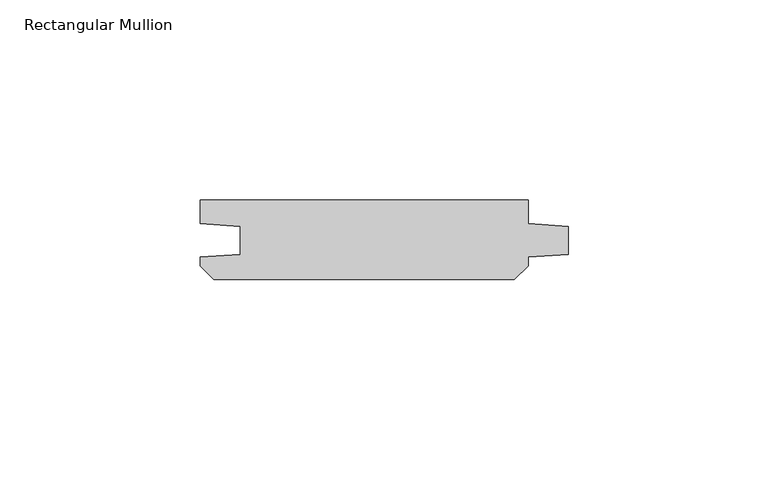
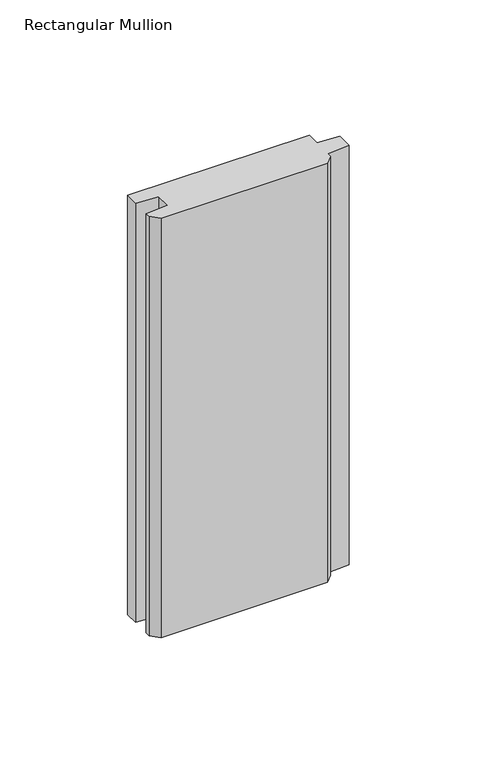
"""IFC4 building model written with IfcOpenShell, lengths in millimetres: member geometry, Rectangular Mullion."""

from ifc_helpers import new_model, si_unit, frame, origin, place, context, project, spatial, polyline, outline, extrude, source, transform, mapped, element, save


def rectangular_mullion_a3523aa4(model_context):
    return source(origin(), model_context, "Body", "SweptSolid", [
        extrude(outline(polyline([(-10.0, 0.0), (-10.0, -5.9651903), (0.0, -6.6644584), (0.0, -13.6642442), (-10.0, -14.3635124), (-10.0, -16.5283124), (-13.4716876, -20.0), (-88.5283124, -20.0), (-92.0, -16.5283124), (-92.0, -14.3635124), (-82.0, -13.6642442), (-82.0, -6.6644584), (-92.0, -5.9651903), (-92.0, 0.0), (-10.0, 0.0)])), frame((0.0, 0.0, -200.0), z_axis=(0.0, 0.0, 1.0), x_axis=(1.0, 0.0, 0.0)), (0.0, 0.0, 1.0), 200.0),
    ])


if __name__ == "__main__":
    model = new_model("IFC4")
    model_context = context("Model", 3, world=origin())
    ifc_project = project(units=[si_unit("LENGTHUNIT", "METRE", prefix="MILLI")], contexts=[model_context])
    site = spatial("IfcSite", under=ifc_project)
    building = spatial("IfcBuilding", under=site)
    placement = place(None, origin())
    rectangular_mullion_shape = rectangular_mullion_a3523aa4(model_context)
    element("IfcMember", 1, ObjectType="Rectangular Mullion", at=placement, inside=building, context=model_context, shape_type="MappedRepresentation", body=[
        mapped(rectangular_mullion_shape, transform((0.0, 0.0, 0.0), x_axis=(1.0, 0.0, 0.0), y_axis=(0.0, 1.0, 0.0), z_axis=(0.0, 0.0, 1.0))),
    ])
    save(model, "model.ifc")
